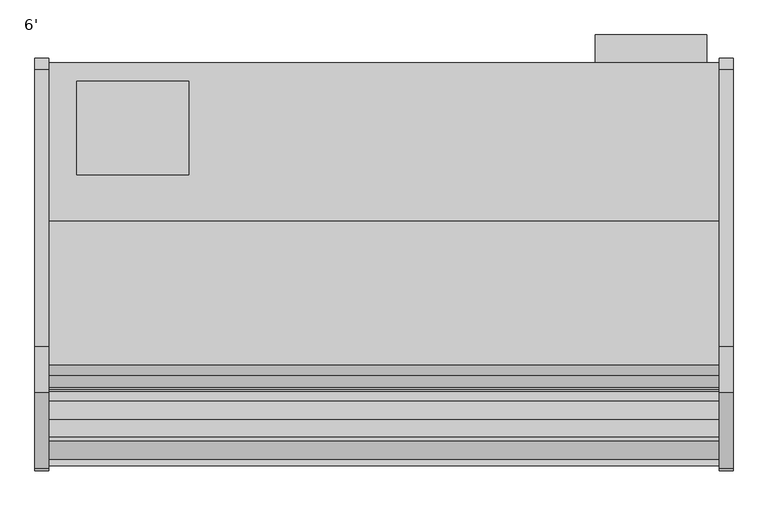
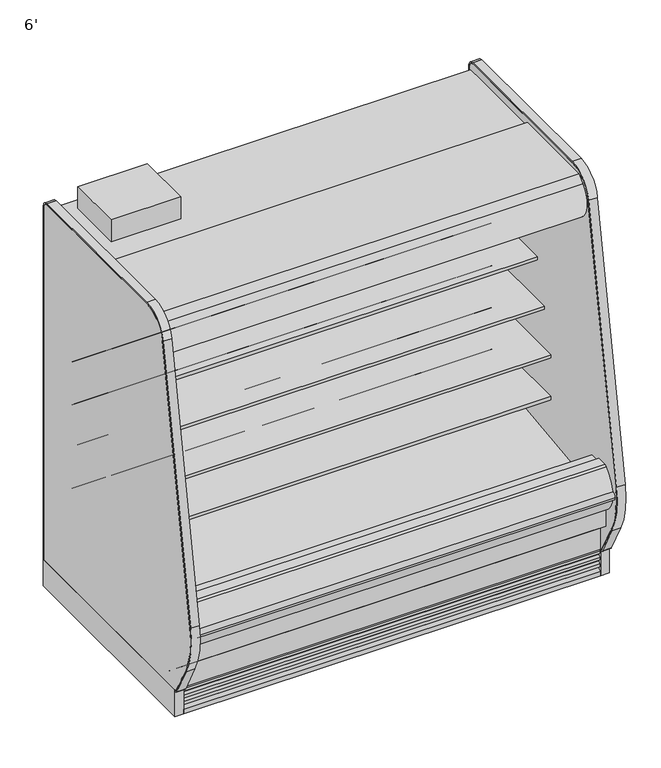
"""IFC4 building model written with IfcOpenShell, lengths in millimetres: proxy geometry, 6'."""

from ifc_helpers import new_model, si_unit, point, frame, frame_2d, origin, origin_with_axes, place, context, project, spatial, polyline, circle_curve, trimmed, segment, composite_curve, outline, extrude, faceted_brep, source, transform, mapped, element, save
from ifc_brep_helpers import plane_surface, revolved_surface, advanced_brep


def proxy_6_865640ad(model_context):
    return source(origin(), model_context, "Body", "SolidModel", [
        extrude(outline(polyline([(381.0, -452.3089273), (381.0, -706.3089273), (76.2, -706.3089273), (76.2, -452.3089273), (381.0, -452.3089273)])), frame((0.0, 0.0, 1747.9264001), z_axis=(0.0, 0.0, 1.0), x_axis=(1.0, 0.0, 0.0)), (0.0, 0.0, 1.0), 101.6),
        extrude(outline(polyline([(1795.411073, -325.3089273), (1795.411073, -401.5089273), (1490.396077, -401.5089273), (1490.396077, -325.3089273), (1795.411073, -325.3089273)])), frame((0.0, 0.0, 186.4360001), z_axis=(0.0, 0.0, 1.0), x_axis=(1.0, 0.0, 0.0)), (0.0, 0.0, 1.0), 1447.8),
        extrude(outline(polyline([(744.7751963, -1346.7911816), (435.3523963, -1346.7911816), (435.3523963, -1249.5865659), (744.7751963, -1249.5865659), (744.7751963, -1346.7911816)])), frame((0.0, 0.0, 53.2186364), z_axis=(0.0, 0.0, 1.0), x_axis=(1.0, 0.0, 0.0)), (0.0, 0.0, 1.0), 9.8914),
        faceted_brep([(1828.8, -1207.9589273, 130.175), (1828.8, -1275.0830824, 130.175), (1828.8, -1369.8839273, 206.7143253), (1828.8, -1369.8839273, 10.9768116), (1828.8, -1207.9589273, 10.9768116), (0.0, -1207.9589273, 130.175), (0.0, -1207.9589273, 10.9768116), (0.0, -1369.8839273, 10.9768116), (0.0, -1369.8839273, 206.7143253), (0.0, -1275.0830824, 130.175), (744.7751963, -1346.7911816, 10.9768116), (744.7751963, -1249.5865659, 10.9768116), (435.3523963, -1249.5865659, 10.9768116), (435.3523963, -1346.7911816, 10.9768116), (744.7751963, -1346.7911816, 63.1100364), (435.3523963, -1346.7911816, 63.1100364), (435.3523963, -1249.5865659, 63.1100364), (744.7751963, -1249.5865659, 63.1100364)], [[[0, 1, 2, 3, 4]], [[5, 6, 7, 8, 9]], [[1, 0, 5, 9]], [[2, 1, 9, 8]], [[3, 2, 8, 7]], [[4, 3, 7, 6], [10, 11, 12, 13]], [[0, 4, 6, 5]], [[14, 15, 16, 17]], [[14, 17, 11, 10]], [[17, 16, 12, 11]], [[16, 15, 13, 12]], [[15, 14, 10, 13]]]),
        extrude(outline(composite_curve([segment(trimmed(circle_curve(frame_2d((368.3, 1749.2090336)), 12.7), [point((368.3, 1761.9090336))], [point((368.3, 1736.5090336))], False, "CARTESIAN"), True, "CONTINUOUS"), segment(trimmed(circle_curve(frame_2d((368.3, 1749.2090336)), 12.7), [point((368.3, 1736.5090336))], [point((368.3, 1761.9090336))], False, "CARTESIAN"), True, "CONTINUOUS")], self_intersect=False)), frame((0.0, -447.5561252, 0.0), z_axis=(0.0, 1.0, 0.0), x_axis=(0.0, 0.0, 1.0)), (0.0, 0.0, 1.0), 52.3971979),
        extrude(outline(composite_curve([segment(trimmed(circle_curve(frame_2d((368.3, 1710.7972115)), 9.525), [point((368.3, 1720.3222115))], [point((368.3, 1701.2722115))], False, "CARTESIAN"), True, "CONTINUOUS"), segment(trimmed(circle_curve(frame_2d((368.3, 1710.7972115)), 9.525), [point((368.3, 1701.2722115))], [point((368.3, 1720.3222115))], False, "CARTESIAN"), True, "CONTINUOUS")], self_intersect=False)), frame((0.0, -447.5561252, 0.0), z_axis=(0.0, 1.0, 0.0), x_axis=(0.0, 0.0, 1.0)), (0.0, 0.0, 1.0), 52.3971979),
        extrude(outline(composite_curve([segment(polyline([(-451.7851762, 1697.7360001), (-451.7851762, 404.745884), (-504.9331995, 404.745884), (-504.9331995, 1618.3415628)]), True, "CONTINUOUS"), segment(trimmed(circle_curve(frame_2d((-530.3331995, 1618.3415628)), 25.4), [point((-504.9331995, 1618.3415628))], [point((-530.3331995, 1643.7415628))], True, "CARTESIAN"), True, "CONTINUOUS"), segment(polyline([(-530.3331995, 1643.7415628), (-996.5139611, 1643.7415628), (-996.5139611, 1637.1817932), (-1098.1139599, 1637.1817932), (-1098.1139599, 1697.7360001), (-451.7851762, 1697.7360001)]), True, "CONTINUOUS")], self_intersect=False)), frame((0.0, 0.0, 0.0), z_axis=(1.0, 0.0, 0.0), x_axis=(0.0, 1.0, 0.0)), (0.0, 0.0, 1.0), 1828.8),
        advanced_brep(
        [(1828.8, -1428.7889874, 391.24255), (1828.8, -1428.7889874, 254.2724833), (1828.8, -1275.0830824, 130.175), (1828.8, -401.5089273, 130.175), (1828.8, -401.5089273, 1747.9264001), (1828.8, -1139.2416873, 1747.9264001), (1828.8, -1139.2416873, 1697.7360001), (1828.8, -451.7851762, 1697.7360001), (1828.8, -451.7851762, 363.9695251), (1828.8, -599.5014929, 211.662363), (1828.8, -1043.5931205, 195.6779213), (1828.8, -1096.7050237, 157.095884), (1828.8, -1163.5210307, 157.095884), (1828.8, -1221.5656168, 189.2720563), (1828.8, -1379.2843872, 341.5792153), (1828.8, -1379.2843872, 391.24255), (0.0, -1428.7889874, 391.24255), (0.0, -1379.2843872, 391.24255), (0.0, -1379.2843872, 341.5792153), (0.0, -1221.5656168, 189.2720563), (0.0, -1163.5210307, 157.095884), (0.0, -1096.7050237, 157.095884), (0.0, -1043.5931205, 195.6779213), (0.0, -599.5014929, 211.662363), (0.0, -451.7851762, 363.9695251), (0.0, -451.7851762, 1697.7360001), (0.0, -1139.2416873, 1697.7360001), (0.0, -1139.2416873, 1747.9264001), (0.0, -401.5089273, 1747.9264001), (0.0, -401.5089273, 130.175), (0.0, -1275.0830824, 130.175), (0.0, -1428.7889874, 254.2724833), (1727.2, -401.5089273, 317.5), (1727.2, -401.5089273, 419.1), (1727.2, -447.5561252, 317.5), (1727.2, -447.5561252, 419.1)],
        [
            (0, 1),
            (1, 2),
            (2, 3),
            (3, 4),
            (4, 5),
            (5, 6),
            (6, 7),
            (7, 8),
            (8, 9, circle_curve(frame((1828.8, -605.0132276, 364.7934683), z_axis=(-1.0, 0.0, 0.0), x_axis=(0.0, 1.0, 0.0)), 153.2302667)),
            (9, 10),
            (10, 11),
            (11, 12),
            (12, 13),
            (13, 14, circle_curve(frame((1828.8, -1226.8843872, 341.5792153), z_axis=(-1.0, 0.0, 0.0), x_axis=(0.0, 1.0, 0.0)), 152.4)),
            (14, 15),
            (15, 0),
            (16, 17),
            (17, 18),
            (18, 19, circle_curve(frame((0.0, -1226.8843872, 341.5792153), z_axis=(1.0, 0.0, 0.0), x_axis=(0.0, 1.0, 0.0)), 152.4)),
            (19, 20),
            (20, 21),
            (21, 22),
            (22, 23),
            (23, 24, circle_curve(frame((0.0, -605.0132276, 364.7934683), z_axis=(1.0, 0.0, 0.0), x_axis=(0.0, 1.0, 0.0)), 153.2302667)),
            (24, 25),
            (25, 26),
            (26, 27),
            (27, 28),
            (28, 29),
            (29, 30),
            (30, 31),
            (31, 16),
            (0, 16),
            (31, 1),
            (30, 2),
            (29, 3),
            (28, 4),
            (32, 33, circle_curve(frame((1727.2, -401.5089273, 368.3), z_axis=(0.0, -1.0, 0.0), x_axis=(0.0, 0.0, 1.0)), 50.8)),
            (33, 32, circle_curve(frame((1727.2, -401.5089273, 368.3), z_axis=(0.0, -1.0, 0.0), x_axis=(0.0, 0.0, 1.0)), 50.8)),
            (27, 5),
            (26, 6),
            (25, 7),
            (24, 8),
            (23, 9),
            (22, 10),
            (21, 11),
            (20, 12),
            (19, 13),
            (18, 14),
            (17, 15),
            (34, 35, circle_curve(frame((1727.2, -447.5561252, 368.3), z_axis=(0.0, 1.0, 0.0), x_axis=(0.0, 0.0, 1.0)), 50.8)),
            (35, 34, circle_curve(frame((1727.2, -447.5561252, 368.3), z_axis=(0.0, 1.0, 0.0), x_axis=(0.0, 0.0, 1.0)), 50.8)),
            (35, 33),
            (32, 34),
        ],
        [
            plane_surface(frame((1828.8, -1428.7889874, 254.2724833), z_axis=(1.0, 0.0, 0.0), x_axis=(0.0, 0.0, -1.0))),
            plane_surface(frame((0.0, -1428.7889874, 254.2724833), z_axis=(-1.0, 0.0, 0.0), x_axis=(0.0, 0.0, 1.0))),
            plane_surface(frame((1828.8, -1428.7889874, 391.24255), z_axis=(0.0, -1.0, 0.0), x_axis=(-1.0, 0.0, 0.0))),
            plane_surface(frame((1828.8, -1428.7889874, 254.2724833), z_axis=(0.0, -0.6281851642637378, -0.7780638787393622), x_axis=(-1.0, 0.0, 0.0))),
            plane_surface(frame((1828.8, -1275.0830824, 130.175), z_axis=(0.0, 0.0, -1.0), x_axis=(-1.0, 0.0, 0.0))),
            plane_surface(frame((1828.8, -401.5089273, 130.175), z_axis=(0.0, 1.0, 0.0), x_axis=(-1.0, 0.0, 0.0))),
            plane_surface(frame((1828.8, -401.5089273, 1747.9264001), z_axis=(0.0, 0.0, 1.0), x_axis=(-1.0, 0.0, 0.0))),
            plane_surface(frame((1828.8, -1139.2416873, 1747.9264001), z_axis=(0.0, -1.0, 0.0), x_axis=(-1.0, 0.0, 0.0))),
            plane_surface(frame((1828.8, -1139.2416873, 1697.7360001), z_axis=(0.0, 0.0, -1.0), x_axis=(-1.0, 0.0, 0.0))),
            plane_surface(frame((1828.8, -451.7851762, 1697.7360001), z_axis=(0.0, -1.0, 0.0), x_axis=(-1.0, 0.0, 0.0))),
            revolved_surface(polyline([(0.0, -451.78296090000003, 364.7934683), (1828.8, -451.78296090000003, 364.7934683)]), (0.0, -605.0132276, 364.7934683), (-1.0, 0.0, 0.0)),
            plane_surface(frame((1828.8, -599.5014929, 211.662363), z_axis=(0.0, -0.035970274152171335, 0.9993528602938092), x_axis=(-1.0, 0.0, 0.0))),
            plane_surface(frame((1828.8, -1043.5931205, 195.6779213), z_axis=(0.0, -0.5877252382160976, 0.8090605937529224), x_axis=(-1.0, 0.0, 0.0))),
            plane_surface(frame((1828.8, -1096.7050237, 157.095884), z_axis=(0.0, 0.0, 1.0), x_axis=(-1.0, 0.0, 0.0))),
            plane_surface(frame((1828.8, -1163.5210307, 157.095884), z_axis=(0.0, 0.48482728759131516, 0.8746099137368889), x_axis=(-1.0, 0.0, 0.0))),
            revolved_surface(polyline([(0.0, -1074.4843872, 341.5792153), (1828.8, -1074.4843872, 341.5792153)]), (0.0, -1226.8843872, 341.5792153), (-1.0, 0.0, 0.0)),
            plane_surface(frame((1828.8, -1379.2843872, 341.5792153), z_axis=(0.0, 1.0, 0.0), x_axis=(-1.0, 0.0, 0.0))),
            plane_surface(frame((1828.8, -1379.2843872, 391.24255), z_axis=(0.0, 0.0, 1.0), x_axis=(-1.0, 0.0, 0.0))),
            plane_surface(frame((1727.2, -447.5561252, 419.1), z_axis=(0.0, 1.0, 0.0), x_axis=(-1.0, 0.0, 0.0))),
            revolved_surface(polyline([(1727.2, -447.5561252, 419.1), (1727.2, -401.5089273, 419.1)]), (1727.2, -401.5089273, 368.3), (0.0, -1.0, 0.0)),
        ],
        [
            (0, [[1, 2, 3, 4, 5, 6, 7, 8, 9, 10, 11, 12, 13, 14, 15, 16]]),
            (1, [[17, 18, 19, 20, 21, 22, 23, 24, 25, 26, 27, 28, 29, 30, 31, 32]]),
            (2, [[-1, 33, -32, 34]]),
            (3, [[-2, -34, -31, 35]]),
            (4, [[-3, -35, -30, 36]]),
            (5, [[-4, -36, -29, 37], [38, 39]]),
            (6, [[-5, -37, -28, 40]]),
            (7, [[-6, -40, -27, 41]]),
            (8, [[-7, -41, -26, 42]]),
            (9, [[-8, -42, -25, 43]]),
            (10, [[-9, -43, -24, 44]]),
            (11, [[-10, -44, -23, 45]]),
            (12, [[-11, -45, -22, 46]]),
            (13, [[-12, -46, -21, 47]]),
            (14, [[-13, -47, -20, 48]]),
            (15, [[-14, -48, -19, 49]]),
            (16, [[-15, -49, -18, 50]]),
            (17, [[-16, -50, -17, -33]]),
            (18, [[51, 52]]),
            (19, [[-52, 53, -38, 54]]),
            (19, [[-51, -54, -39, -53]]),
        ],
    ),
        extrude(outline(composite_curve([segment(polyline([(-1324.3309113, 373.0751999), (-1297.0132113, 373.0751999), (-1291.5716401, 375.0168392), (-610.6406734, 456.5929299), (-610.1926758, 450.1862651), (-516.7472923, 456.7206028)]), True, "CONTINUOUS"), segment(trimmed(circle_curve(frame_2d((-517.6331995, 469.3896663)), 12.7), [point((-516.7472923, 456.7206028))], [point((-504.9331995, 469.3896663))], True, "CARTESIAN"), True, "CONTINUOUS"), segment(polyline([(-504.9331995, 469.3896663), (-504.9331995, 404.745884), (-451.7851762, 404.745884), (-451.7851762, 363.9695251)]), True, "CONTINUOUS"), segment(trimmed(circle_curve(frame_2d((-605.0132276, 364.7934683)), 153.2302667), [point((-451.7851762, 363.9695251))], [point((-599.5014929, 211.662363))], False, "CARTESIAN"), True, "CONTINUOUS"), segment(polyline([(-599.5014929, 211.662363), (-1043.5931205, 195.6779213), (-1096.7050237, 157.095884), (-1163.5210307, 157.095884), (-1221.5656168, 189.2720563)]), True, "CONTINUOUS"), segment(trimmed(circle_curve(frame_2d((-1226.8843872, 341.5792153)), 152.4), [point((-1221.5656168, 189.2720563))], [point((-1379.2843872, 341.5792153))], False, "CARTESIAN"), True, "CONTINUOUS"), segment(polyline([(-1379.2843872, 341.5792153), (-1379.2843872, 521.2079999), (-1324.3309113, 521.2079999), (-1324.3309113, 373.0751999)]), True, "CONTINUOUS")], self_intersect=False)), frame((0.0, 0.0, 0.0), z_axis=(1.0, 0.0, 0.0), x_axis=(0.0, 1.0, 0.0)), (0.0, 0.0, 1.0), 1828.8),
        extrude(outline(composite_curve([segment(trimmed(circle_curve(frame_2d((914.4, -1128.5839273)), 38.1), [point((876.3, -1128.5839273))], [point((952.5, -1128.5839273))], False, "CARTESIAN"), True, "CONTINUOUS"), segment(trimmed(circle_curve(frame_2d((914.4, -1128.5839273)), 38.1), [point((952.5, -1128.5839273))], [point((876.3, -1128.5839273))], False, "CARTESIAN"), True, "CONTINUOUS")], self_intersect=False)), frame((0.0, 0.0, 66.7090149), z_axis=(0.0, 0.0, 1.0), x_axis=(1.0, 0.0, 0.0)), (0.0, 0.0, 1.0), 57.1159851),
        extrude(outline(composite_curve([segment(trimmed(circle_curve(frame_2d((1633.2146724, -1128.5839273)), 12.7), [point((1620.5146724, -1128.5839273))], [point((1645.9146724, -1128.5839273))], False, "CARTESIAN"), True, "CONTINUOUS"), segment(trimmed(circle_curve(frame_2d((1633.2146724, -1128.5839273)), 12.7), [point((1645.9146724, -1128.5839273))], [point((1620.5146724, -1128.5839273))], False, "CARTESIAN"), True, "CONTINUOUS")], self_intersect=False)), frame((0.0, 0.0, 66.7090149), z_axis=(0.0, 0.0, 1.0), x_axis=(1.0, 0.0, 0.0)), (0.0, 0.0, 1.0), 57.1159851),
        extrude(outline(composite_curve([segment(trimmed(circle_curve(frame_2d((1587.4012671, -1128.5839273)), 9.525), [point((1577.8762671, -1128.5839273))], [point((1596.9262671, -1128.5839273))], False, "CARTESIAN"), True, "CONTINUOUS"), segment(trimmed(circle_curve(frame_2d((1587.4012671, -1128.5839273)), 9.525), [point((1596.9262671, -1128.5839273))], [point((1577.8762671, -1128.5839273))], False, "CARTESIAN"), True, "CONTINUOUS")], self_intersect=False)), frame((0.0, 0.0, 66.7090149), z_axis=(0.0, 0.0, 1.0), x_axis=(1.0, 0.0, 0.0)), (0.0, 0.0, 1.0), 57.1159851),
        advanced_brep(
        [(1828.8, -401.5089273, 0.0), (1828.8, -401.5089273, 130.175), (1828.8, -1207.9589273, 130.175), (1828.8, -1207.9589273, 0.0), (1828.8, -1161.1594273, 0.0), (1828.8, -1161.1594273, 74.8810382), (1828.8, -446.7209273, 74.8810382), (1828.8, -446.7209273, 0.0), (0.0, -401.5089273, 0.0), (0.0, -446.7209273, 0.0), (0.0, -446.7209273, 74.8810382), (0.0, -1161.1594273, 74.8810382), (0.0, -1161.1594273, 0.0), (0.0, -1207.9589273, 0.0), (0.0, -1207.9589273, 130.175), (0.0, -401.5089273, 130.175), (875.4195331, -1161.1594273, 0.0), (953.3804669, -1161.1594273, 0.0), (1573.9195331, -1161.1594273, 0.0), (1651.8804669, -1161.1594273, 0.0), (1651.8804669, -1161.1594273, 74.8810382), (875.4195331, -1161.1594273, 74.8810382), (953.3804669, -1161.1594273, 74.8810382), (1573.9195331, -1161.1594273, 74.8810382), (1663.7, -1128.5839273, 74.8810382), (1562.1, -1128.5839273, 74.8810382), (965.2, -1128.5839273, 74.8810382), (863.6, -1128.5839273, 74.8810382), (863.6, -1128.5839273, 123.825), (965.2, -1128.5839273, 123.825), (1562.1, -1128.5839273, 123.825), (1663.7, -1128.5839273, 123.825)],
        [
            (0, 1),
            (1, 2),
            (2, 3),
            (3, 4),
            (4, 5),
            (5, 6),
            (6, 7),
            (7, 0),
            (8, 9),
            (9, 10),
            (10, 11),
            (11, 12),
            (12, 13),
            (13, 14),
            (14, 15),
            (15, 8),
            (0, 8),
            (15, 1),
            (14, 2),
            (13, 3),
            (12, 16),
            (16, 17, circle_curve(frame((914.4, -1128.5839273, 0.0), z_axis=(0.0, 0.0, 1.0), x_axis=(1.0, 0.0, 0.0)), 50.8)),
            (17, 18),
            (18, 19, circle_curve(frame((1612.9, -1128.5839273, 0.0), z_axis=(0.0, 0.0, 1.0), x_axis=(1.0, 0.0, 0.0)), 50.8)),
            (19, 4),
            (19, 20),
            (20, 5),
            (11, 21),
            (21, 16),
            (17, 22),
            (22, 23),
            (23, 18),
            (20, 24, circle_curve(frame((1612.9, -1128.5839273, 74.8810382), z_axis=(0.0, 0.0, 1.0), x_axis=(1.0, 0.0, 0.0)), 50.8)),
            (24, 25, circle_curve(frame((1612.9, -1128.5839273, 74.8810382), z_axis=(0.0, 0.0, 1.0), x_axis=(1.0, 0.0, 0.0)), 50.8)),
            (25, 23, circle_curve(frame((1612.9, -1128.5839273, 74.8810382), z_axis=(0.0, 0.0, 1.0), x_axis=(1.0, 0.0, 0.0)), 50.8)),
            (22, 26, circle_curve(frame((914.4, -1128.5839273, 74.8810382), z_axis=(0.0, 0.0, 1.0), x_axis=(1.0, 0.0, 0.0)), 50.8)),
            (26, 27, circle_curve(frame((914.4, -1128.5839273, 74.8810382), z_axis=(0.0, 0.0, 1.0), x_axis=(1.0, 0.0, 0.0)), 50.8)),
            (27, 21, circle_curve(frame((914.4, -1128.5839273, 74.8810382), z_axis=(0.0, 0.0, 1.0), x_axis=(1.0, 0.0, 0.0)), 50.8)),
            (10, 6),
            (9, 7),
            (28, 29, circle_curve(frame((914.4, -1128.5839273, 123.825), z_axis=(0.0, 0.0, -1.0), x_axis=(1.0, 0.0, 0.0)), 50.8)),
            (29, 28, circle_curve(frame((914.4, -1128.5839273, 123.825), z_axis=(0.0, 0.0, -1.0), x_axis=(1.0, 0.0, 0.0)), 50.8)),
            (29, 26),
            (27, 28),
            (30, 31, circle_curve(frame((1612.9, -1128.5839273, 123.825), z_axis=(0.0, 0.0, -1.0), x_axis=(1.0, 0.0, 0.0)), 50.8)),
            (31, 30, circle_curve(frame((1612.9, -1128.5839273, 123.825), z_axis=(0.0, 0.0, -1.0), x_axis=(1.0, 0.0, 0.0)), 50.8)),
            (31, 24),
            (25, 30),
        ],
        [
            plane_surface(frame((1828.8, -401.5089273, 1893.5715584), z_axis=(1.0, 0.0, 0.0), x_axis=(0.0, 0.0, 1.0))),
            plane_surface(frame((0.0, -401.5089273, 1893.5715584), z_axis=(-1.0, 0.0, 0.0), x_axis=(0.0, 0.0, -1.0))),
            plane_surface(frame((1828.8, -401.5089273, 0.0), z_axis=(0.0, 1.0, 0.0), x_axis=(-1.0, 0.0, 0.0))),
            plane_surface(frame((1828.8, -401.5089273, 130.175), z_axis=(0.0, 0.0, 1.0), x_axis=(-1.0, 0.0, 0.0))),
            plane_surface(frame((1828.8, -1207.9589273, 130.175), z_axis=(0.0, -1.0, 0.0), x_axis=(-1.0, 0.0, 0.0))),
            plane_surface(frame((1828.8, -1207.9589273, 0.0), z_axis=(0.0, 0.0, -1.0), x_axis=(-1.0, 0.0, 0.0))),
            plane_surface(frame((1828.8, -1161.1594273, 0.0), z_axis=(0.0, 1.0, 0.0), x_axis=(-1.0, 0.0, 0.0))),
            plane_surface(frame((1828.8, -1161.1594273, 74.8810382), z_axis=(0.0, 0.0, -1.0), x_axis=(-1.0, 0.0, 0.0))),
            plane_surface(frame((1828.8, -446.7209273, 74.8810382), z_axis=(0.0, -1.0, 0.0), x_axis=(-1.0, 0.0, 0.0))),
            plane_surface(frame((1828.8, -446.7209273, 0.0), z_axis=(0.0, 0.0, -1.0), x_axis=(-1.0, 0.0, 0.0))),
            plane_surface(frame((965.2, -1128.5839273, 123.825), z_axis=(0.0, 0.0, -1.0), x_axis=(0.0, 1.0, 0.0))),
            revolved_surface(polyline([(965.1999999999999, -1128.5839273, 123.825), (965.1999999999999, -1128.5839273, 0.0)]), (914.4, -1128.5839273, 0.0), (0.0, 0.0, 1.0)),
            revolved_surface(polyline([(965.1999999999999, -1128.5839273, 123.825), (965.1999999999999, -1128.5839273, 74.8810382)]), (914.4, -1128.5839273, 0.0), (0.0, 0.0, 1.0)),
            plane_surface(frame((1663.7, -1128.5839273, 123.825), z_axis=(0.0, 0.0, -1.0), x_axis=(0.0, 1.0, 0.0))),
            revolved_surface(polyline([(1663.7, -1128.5839273, 123.825), (1663.7, -1128.5839273, 0.0)]), (1612.9, -1128.5839273, 0.0), (0.0, 0.0, 1.0)),
            revolved_surface(polyline([(1663.7, -1128.5839273, 123.825), (1663.7, -1128.5839273, 74.8810382)]), (1612.9, -1128.5839273, 0.0), (0.0, 0.0, 1.0)),
        ],
        [
            (0, [[1, 2, 3, 4, 5, 6, 7, 8]]),
            (1, [[9, 10, 11, 12, 13, 14, 15, 16]]),
            (2, [[-1, 17, -16, 18]]),
            (3, [[-2, -18, -15, 19]]),
            (4, [[-3, -19, -14, 20]]),
            (5, [[-4, -20, -13, 21, 22, 23, 24, 25]]),
            (6, [[-5, -25, 26, 27]]),
            (6, [[-12, 28, 29, -21]]),
            (6, [[30, 31, 32, -23]]),
            (7, [[-6, -27, 33, 34, 35, -31, 36, 37, 38, -28, -11, 39]]),
            (8, [[-7, -39, -10, 40]]),
            (9, [[-8, -40, -9, -17]]),
            (10, [[41, 42]]),
            (11, [[-42, 43, -36, -30, -22, -29, -38, 44]]),
            (12, [[-41, -44, -37, -43]]),
            (13, [[45, 46]]),
            (14, [[-46, 47, -33, -26, -24, -32, -35, 48]]),
            (15, [[-45, -48, -34, -47]]),
        ],
    ),
        extrude(outline(polyline([(1866.9, -388.8089273), (1866.9, -1388.9339273), (1828.8, -1388.9339273), (1828.8, -388.8089273), (1866.9, -388.8089273)])), origin_with_axes(), (0.0, 0.0, 1.0), 123.825),
        extrude(outline(polyline([(1828.8, -996.5139611), (1828.8, -1098.1139599), (0.0, -1098.1139599), (0.0, -996.5139611), (1828.8, -996.5139611)])), frame((0.0, 0.0, 1611.781792), z_axis=(0.0, 0.0, 1.0), x_axis=(1.0, 0.0, 0.0)), (0.0, 0.0, 1.0), 25.4000011),
        extrude(outline(composite_curve([segment(polyline([(-834.1197918, 1747.9264001), (-1139.2416873, 1747.9264001), (-1139.2416873, 1697.7360001), (-1098.1139599, 1697.7360001), (-1098.1139599, 1611.781792), (-1102.0441706, 1611.781792), (-1145.2982964, 1638.6902586), (-1229.1846298, 1638.6902586), (-1234.6028577, 1609.3156271), (-1242.6978272, 1602.7581239), (-1244.4566599, 1596.9057625), (-1247.8744356, 1591.5734097)]), True, "CONTINUOUS"), segment(trimmed(circle_curve(frame_2d((-1254.9813118, 1596.1285676)), 8.4413951), [point((-1247.8744356, 1591.5734097))], [point((-1261.3923737, 1590.637171))], False, "CARTESIAN"), True, "CONTINUOUS"), segment(trimmed(circle_curve(frame_2d((-1181.3177231, 1659.2251311)), 105.4336661), [point((-1261.3923737, 1590.637171))], [point((-1254.3783459, 1735.2409409))], False, "CARTESIAN"), True, "CONTINUOUS"), segment(trimmed(circle_curve(frame_2d((-1721.3249588, 2221.0748085)), 673.8498988), [point((-1254.3783459, 1735.2409409))], [point((-1224.995421, 1765.3))], True, "CARTESIAN"), True, "CONTINUOUS"), segment(polyline([(-1224.995421, 1765.3), (-834.1197918, 1765.3), (-834.1197918, 1747.9264001)]), True, "CONTINUOUS")], self_intersect=False)), frame((0.0, 0.0, 0.0), z_axis=(1.0, 0.0, 0.0), x_axis=(0.0, 1.0, 0.0)), (0.0, 0.0, 1.0), 1828.8),
        extrude(outline(composite_curve([segment(trimmed(circle_curve(frame_2d((-775.1768909, 1614.4334873)), 14.2875), [point((-789.4643909, 1614.4334873))], [point((-760.8893909, 1614.4334873))], False, "CARTESIAN"), True, "CONTINUOUS"), segment(trimmed(circle_curve(frame_2d((-775.1768909, 1614.4334873)), 14.2875), [point((-760.8893909, 1614.4334873))], [point((-789.4643909, 1614.4334873))], False, "CARTESIAN"), True, "CONTINUOUS")], self_intersect=False)), frame((0.0, 0.0, 0.0), z_axis=(1.0, 0.0, 0.0), x_axis=(0.0, 1.0, 0.0)), (0.0, 0.0, 1.0), 1828.8),
        extrude(outline(composite_curve([segment(trimmed(circle_curve(frame_2d((-1161.5261636, 1620.5311052)), 14.2875), [point((-1175.8136636, 1620.5311052))], [point((-1147.2386636, 1620.5311052))], False, "CARTESIAN"), True, "CONTINUOUS"), segment(trimmed(circle_curve(frame_2d((-1161.5261636, 1620.5311052)), 14.2875), [point((-1147.2386636, 1620.5311052))], [point((-1175.8136636, 1620.5311052))], False, "CARTESIAN"), True, "CONTINUOUS")], self_intersect=False)), frame((0.0, 0.0, 0.0), z_axis=(1.0, 0.0, 0.0), x_axis=(0.0, 1.0, 0.0)), (0.0, 0.0, 1.0), 1828.8),
        extrude(outline(composite_curve([segment(trimmed(circle_curve(frame_2d((-1206.6074088, 1621.0573227)), 14.2875), [point((-1220.8949088, 1621.0573227))], [point((-1192.3199088, 1621.0573227))], False, "CARTESIAN"), True, "CONTINUOUS"), segment(trimmed(circle_curve(frame_2d((-1206.6074088, 1621.0573227)), 14.2875), [point((-1192.3199088, 1621.0573227))], [point((-1220.8949088, 1621.0573227))], False, "CARTESIAN"), True, "CONTINUOUS")], self_intersect=False)), frame((0.0, 0.0, 0.0), z_axis=(1.0, 0.0, 0.0), x_axis=(0.0, 1.0, 0.0)), (0.0, 0.0, 1.0), 1828.8),
        extrude(outline(polyline([(-755.2139611, 1643.7415628), (-755.2139611, 1642.1540628), (-767.1202111, 1642.1540628), (-802.8389611, 1618.3415628), (-802.8389611, 1642.1540628), (-823.4764611, 1642.1540628), (-823.4764611, 1583.5761808), (-820.1998305, 1567.4468459), (-821.7555536, 1567.130805), (-825.0639611, 1583.4165628), (-825.0639611, 1643.7415628), (-755.2139611, 1643.7415628)])), frame((0.0, 0.0, 0.0), z_axis=(1.0, 0.0, 0.0), x_axis=(0.0, 1.0, 0.0)), (0.0, 0.0, 1.0), 1828.8),
        extrude(outline(polyline([(-524.5538195, 1364.7404382), (-699.0292362, 1609.345951), (-692.6360518, 1611.3180598), (-519.384186, 1368.427902), (-524.5538195, 1364.7404382)])), frame((0.0, 0.0, 0.0), z_axis=(1.0, 0.0, 0.0), x_axis=(0.0, 1.0, 0.0)), (0.0, 0.0, 1.0), 1828.8),
        extrude(outline(composite_curve([segment(polyline([(-504.9331995, 1389.1244166), (-504.9331995, 1351.0251669)]), True, "CONTINUOUS"), segment(trimmed(circle_curve(frame_2d((-507.7906995, 1351.0251669)), 2.8575), [point((-504.9331995, 1351.0251669))], [point((-506.6741853, 1348.3948242))], False, "CARTESIAN"), True, "CONTINUOUS"), segment(polyline([(-506.6741853, 1348.3948242), (-515.7704668, 1344.5336819)]), True, "CONTINUOUS"), segment(trimmed(circle_curve(frame_2d((-516.8869809, 1347.1640245)), 2.8575), [point((-515.7704668, 1344.5336819))], [point((-519.4330321, 1345.8667466))], False, "CARTESIAN"), True, "CONTINUOUS"), segment(polyline([(-519.4330321, 1345.8667466), (-527.3608411, 1361.425948)]), True, "CONTINUOUS"), segment(trimmed(circle_curve(frame_2d((-526.2292629, 1362.0025159)), 1.27), [point((-527.3608411, 1361.425948))], [point((-526.8058308, 1363.1340942))], False, "CARTESIAN"), True, "CONTINUOUS"), segment(polyline([(-526.8058308, 1363.1340942), (-519.384186, 1368.427902), (-507.5996446, 1351.9065843), (-506.2031995, 1351.0251669), (-506.2031995, 1389.1244166), (-504.9331995, 1389.1244166)]), True, "CONTINUOUS")], self_intersect=False)), frame((0.0, 0.0, 0.0), z_axis=(1.0, 0.0, 0.0), x_axis=(0.0, 1.0, 0.0)), (0.0, 0.0, 1.0), 1828.8),
        extrude(outline(composite_curve([segment(polyline([(-697.0188534, 1617.462521), (-692.6360518, 1611.3180598), (-701.6311946, 1608.5433237)]), True, "CONTINUOUS"), segment(trimmed(circle_curve(frame_2d((-702.2914708, 1610.6838079)), 2.2400083), [point((-701.6311946, 1608.5433237))], [point((-703.4764456, 1608.7828943))], False, "CARTESIAN"), True, "CONTINUOUS"), segment(polyline([(-703.4764456, 1608.7828943), (-727.5060675, 1642.4711818), (-743.3810675, 1642.4711818), (-743.3810675, 1643.7411818), (-727.5060675, 1643.7411818)]), True, "CONTINUOUS"), segment(trimmed(circle_curve(frame_2d((-727.5060675, 1642.4711818)), 1.27), [point((-727.5060675, 1643.7411818))], [point((-726.4721408, 1643.2086746))], False, "CARTESIAN"), True, "CONTINUOUS"), segment(polyline([(-726.4721408, 1643.2086746), (-714.3244423, 1626.1782294), (-704.636549, 1633.0885365)]), True, "CONTINUOUS"), segment(trimmed(circle_curve(frame_2d((-703.8990563, 1632.0546097)), 1.27), [point((-704.636549, 1633.0885365))], [point((-702.8651296, 1632.7921025))], False, "CARTESIAN"), True, "CONTINUOUS"), segment(polyline([(-702.8651296, 1632.7921025), (-693.6464701, 1619.8680186), (-697.0188534, 1617.462521)]), True, "CONTINUOUS")], self_intersect=False)), frame((0.0, 0.0, 0.0), z_axis=(1.0, 0.0, 0.0), x_axis=(0.0, 1.0, 0.0)), (0.0, 0.0, 1.0), 1828.8),
        extrude(outline(composite_curve([segment(polyline([(-504.9331995, 603.1377781), (-504.9331995, 528.0367518), (-528.313746, 528.0367518)]), True, "CONTINUOUS"), segment(trimmed(circle_curve(frame_2d((-528.7455821, 553.4330806)), 25.4), [point((-528.313746, 528.0367518))], [point((-544.7229383, 533.6875979))], False, "CARTESIAN"), True, "CONTINUOUS"), segment(polyline([(-544.7229383, 533.6875979), (-562.5749995, 548.1328634)]), True, "CONTINUOUS"), segment(trimmed(circle_curve(frame_2d((-602.5183901, 498.7691567)), 63.5), [point((-562.5749995, 548.1328634))], [point((-594.6205089, 561.7760886))], True, "CARTESIAN"), True, "CONTINUOUS"), segment(polyline([(-594.6205089, 561.7760886), (-869.1842482, 585.473226), (-870.6730247, 588.9137781), (-1012.9331995, 588.9137781), (-1012.9331995, 603.1377781), (-504.9331995, 603.1377781)]), True, "CONTINUOUS")], self_intersect=False)), frame((0.0, 0.0, 0.0), z_axis=(1.0, 0.0, 0.0), x_axis=(0.0, 1.0, 0.0)), (0.0, 0.0, 1.0), 1828.8),
        extrude(outline(composite_curve([segment(polyline([(-504.9331995, 796.951863), (-504.9331995, 721.8508366), (-528.313746, 721.8508366)]), True, "CONTINUOUS"), segment(trimmed(circle_curve(frame_2d((-528.7455821, 747.2471655)), 25.4), [point((-528.313746, 721.8508366))], [point((-544.7229383, 727.5016828))], False, "CARTESIAN"), True, "CONTINUOUS"), segment(polyline([(-544.7229383, 727.5016828), (-562.5749995, 741.9469483)]), True, "CONTINUOUS"), segment(trimmed(circle_curve(frame_2d((-602.5183901, 692.5832415)), 63.5), [point((-562.5749995, 741.9469483))], [point((-594.6205089, 755.5901735))], True, "CARTESIAN"), True, "CONTINUOUS"), segment(polyline([(-594.6205089, 755.5901735), (-869.1842482, 779.2873109), (-870.6730247, 782.727863), (-1012.9331995, 782.727863), (-1012.9331995, 796.951863), (-504.9331995, 796.951863)]), True, "CONTINUOUS")], self_intersect=False)), frame((0.0, 0.0, 0.0), z_axis=(1.0, 0.0, 0.0), x_axis=(0.0, 1.0, 0.0)), (0.0, 0.0, 1.0), 1828.8),
        extrude(outline(composite_curve([segment(polyline([(-504.9331995, 990.7659479), (-504.9331995, 915.6649215), (-528.313746, 915.6649215)]), True, "CONTINUOUS"), segment(trimmed(circle_curve(frame_2d((-528.7455821, 941.0612503)), 25.4), [point((-528.313746, 915.6649215))], [point((-544.7229383, 921.3157676))], False, "CARTESIAN"), True, "CONTINUOUS"), segment(polyline([(-544.7229383, 921.3157676), (-562.5749995, 935.7610332)]), True, "CONTINUOUS"), segment(trimmed(circle_curve(frame_2d((-602.5183901, 886.3973264)), 63.5), [point((-562.5749995, 935.7610332))], [point((-594.6205089, 949.4042583))], True, "CARTESIAN"), True, "CONTINUOUS"), segment(polyline([(-594.6205089, 949.4042583), (-869.1842482, 973.1013958), (-870.6730247, 976.5419479), (-962.1331995, 976.5419479), (-962.1331995, 990.7659479), (-504.9331995, 990.7659479)]), True, "CONTINUOUS")], self_intersect=False)), frame((0.0, 0.0, 0.0), z_axis=(1.0, 0.0, 0.0), x_axis=(0.0, 1.0, 0.0)), (0.0, 0.0, 1.0), 1828.8),
        extrude(outline(composite_curve([segment(polyline([(-504.9331995, 1188.9777893), (-504.9331995, 1113.876763), (-528.313746, 1113.876763)]), True, "CONTINUOUS"), segment(trimmed(circle_curve(frame_2d((-528.7455821, 1139.2730918)), 25.4), [point((-528.313746, 1113.876763))], [point((-544.7229383, 1119.5276091))], False, "CARTESIAN"), True, "CONTINUOUS"), segment(polyline([(-544.7229383, 1119.5276091), (-562.5749995, 1133.9728746)]), True, "CONTINUOUS"), segment(trimmed(circle_curve(frame_2d((-602.5183901, 1084.6091679)), 63.5), [point((-562.5749995, 1133.9728746))], [point((-594.6205089, 1147.6160998))], True, "CARTESIAN"), True, "CONTINUOUS"), segment(polyline([(-594.6205089, 1147.6160998), (-869.1842482, 1171.3132372), (-870.6730247, 1174.7537893), (-911.3331995, 1174.7537893), (-911.3331995, 1188.9777893), (-504.9331995, 1188.9777893)]), True, "CONTINUOUS")], self_intersect=False)), frame((0.0, 0.0, 0.0), z_axis=(1.0, 0.0, 0.0), x_axis=(0.0, 1.0, 0.0)), (0.0, 0.0, 1.0), 1828.8),
        extrude(outline(composite_curve([segment(trimmed(circle_curve(frame_2d((-1483.1743585, 428.625)), 17.2640772), [point((-1500.4384357, 428.625))], [point((-1465.9102813, 428.625))], False, "CARTESIAN"), True, "CONTINUOUS"), segment(trimmed(circle_curve(frame_2d((-1483.1743585, 428.625)), 17.2640772), [point((-1465.9102813, 428.625))], [point((-1500.4384357, 428.625))], False, "CARTESIAN"), True, "CONTINUOUS")], self_intersect=False)), frame((0.0, 0.0, 0.0), z_axis=(1.0, 0.0, 0.0), x_axis=(0.0, 1.0, 0.0)), (0.0, 0.0, 1.0), 1828.8),
        extrude(outline(composite_curve([segment(polyline([(-1375.5997913, 521.2079999), (-1379.2843872, 521.2079999), (-1379.2843872, 391.24255), (-1428.7889874, 391.24255), (-1428.7889874, 350.0194213), (-1453.2591168, 350.0194213)]), True, "CONTINUOUS"), segment(trimmed(circle_curve(frame_2d((-1358.032609, 434.0486555)), 126.9999999), [point((-1453.2591168, 350.0194213))], [point((-1482.9898477, 411.3619088))], False, "CARTESIAN"), True, "CONTINUOUS"), segment(trimmed(circle_curve(frame_2d((-1483.1743585, 428.625)), 17.2640772), [point((-1482.9898477, 411.3619088))], [point((-1465.9102813, 428.625))], True, "CARTESIAN"), True, "CONTINUOUS"), segment(trimmed(circle_curve(frame_2d((-1483.1743585, 428.625)), 17.2640772), [point((-1465.9102813, 428.625))], [point((-1483.4541442, 445.8868099))], True, "CARTESIAN"), True, "CONTINUOUS"), segment(trimmed(circle_curve(frame_2d((-1311.1712796, 402.089233)), 177.7628003), [point((-1483.4541442, 445.8868099))], [point((-1431.9539384, 532.5160803))], False, "CARTESIAN"), True, "CONTINUOUS"), segment(trimmed(circle_curve(frame_2d((-1421.0971419, 520.7923962)), 15.9785731), [point((-1431.9539384, 532.5160803))], [point((-1421.1927913, 536.770683))], False, "CARTESIAN"), True, "CONTINUOUS"), segment(polyline([(-1421.1927913, 536.770683), (-1375.5997913, 536.770683), (-1375.5997913, 521.2079999)]), True, "CONTINUOUS")], self_intersect=False)), frame((0.0, 0.0, 0.0), z_axis=(1.0, 0.0, 0.0), x_axis=(0.0, 1.0, 0.0)), (0.0, 0.0, 1.0), 1828.8),
        extrude(outline(composite_curve([segment(polyline([(-1369.8839273, 206.7143253), (-1369.8839273, 0.0), (-1388.9339273, 0.0), (-1388.9339273, 21.4927595)]), True, "CONTINUOUS"), segment(trimmed(circle_curve(frame_2d((-1389.2433986, 35.0385724)), 13.5493476), [point((-1388.9339273, 21.4927595))], [point((-1376.3135203, 30.9885022))], True, "CARTESIAN"), True, "CONTINUOUS"), segment(polyline([(-1376.3135203, 30.9885022), (-1373.1694807, 42.2520535), (-1383.8066759, 40.0942307), (-1385.8005759, 40.0942307), (-1385.8005759, 52.7942307)]), True, "CONTINUOUS"), segment(trimmed(circle_curve(frame_2d((-1390.2184437, 66.2963779)), 14.2065314), [point((-1385.8005759, 52.7942307))], [point((-1376.6585778, 62.0589765))], True, "CARTESIAN"), True, "CONTINUOUS"), segment(polyline([(-1376.6585778, 62.0589765), (-1373.1694807, 73.2242366), (-1383.8066759, 71.0664138), (-1385.8005759, 71.0664138), (-1385.8005759, 83.7664138)]), True, "CONTINUOUS"), segment(trimmed(circle_curve(frame_2d((-1390.290819, 97.3399774)), 14.2969897), [point((-1385.8005759, 83.7664138))], [point((-1376.6585778, 93.0311596))], True, "CARTESIAN"), True, "CONTINUOUS"), segment(polyline([(-1376.6585778, 93.0311596), (-1373.1694807, 104.0699677), (-1383.8066759, 102.0387838), (-1385.8005759, 102.0387838), (-1385.8005759, 114.7387838)]), True, "CONTINUOUS"), segment(trimmed(circle_curve(frame_2d((-1385.2028113, 125.7034438)), 10.9809422), [point((-1385.8005759, 114.7387838))], [point((-1377.4170772, 117.9598377))], True, "CARTESIAN"), True, "CONTINUOUS"), segment(polyline([(-1377.4170772, 117.9598377), (-1377.4170772, 121.5911682), (-1387.8660349, 121.5911682), (-1387.8660349, 221.2325333), (-1369.8839273, 206.7143253)]), True, "CONTINUOUS")], self_intersect=False)), frame((0.0, 0.0, 0.0), z_axis=(1.0, 0.0, 0.0), x_axis=(0.0, 1.0, 0.0)), (0.0, 0.0, 1.0), 1828.8),
        extrude(outline(composite_curve([segment(polyline([(-1174.664716, 1785.14248), (-420.5589273, 1785.14248)]), True, "CONTINUOUS"), segment(trimmed(circle_curve(frame_2d((-420.5589273, 1759.74248)), 25.4), [point((-420.5589273, 1785.14248))], [point((-395.1589273, 1759.74248))], False, "CARTESIAN"), True, "CONTINUOUS"), segment(polyline([(-395.1589273, 1759.74248), (-395.1589273, 123.825), (-1391.7911098, 123.825)]), True, "CONTINUOUS"), segment(trimmed(circle_curve(frame_2d((-1391.7911098, 131.2778251)), 7.4528251), [point((-1391.7911098, 123.825))], [point((-1398.3904092, 127.8146114))], False, "CARTESIAN"), True, "CONTINUOUS"), segment(polyline([(-1398.3904092, 127.8146114), (-1469.6820497, 263.6638308)]), True, "CONTINUOUS"), segment(trimmed(circle_curve(frame_2d((-1171.6750273, 420.0534632)), 336.55), [point((-1469.6820497, 263.6638308))], [point((-1502.6735172, 480.9295848))], False, "CARTESIAN"), True, "CONTINUOUS"), segment(polyline([(-1502.6735172, 480.9295848), (-1293.5353301, 1685.1370822)]), True, "CONTINUOUS"), segment(trimmed(circle_curve(frame_2d((-1174.664716, 1664.49248)), 120.65), [point((-1293.5353301, 1685.1370822))], [point((-1174.664716, 1785.14248))], False, "CARTESIAN"), True, "CONTINUOUS")], self_intersect=False)), frame((1828.8, 0.0, 0.0), z_axis=(1.0, 0.0, 0.0), x_axis=(0.0, 1.0, 0.0)), (0.0, 0.0, 1.0), 38.1),
        extrude(outline(composite_curve([segment(trimmed(circle_curve(frame_2d((-420.5589273, 1759.74248)), 31.75), [point((-420.5589273, 1791.49248))], [point((-388.8089273, 1759.74248))], False, "CARTESIAN"), True, "CONTINUOUS"), segment(polyline([(-388.8089273, 1759.74248), (-388.8089273, 123.825), (-395.1589273, 123.825), (-395.1589273, 1759.74248)]), True, "CONTINUOUS"), segment(trimmed(circle_curve(frame_2d((-420.5589273, 1759.74248)), 25.4), [point((-395.1589273, 1759.74248))], [point((-420.5589273, 1785.14248))], True, "CARTESIAN"), True, "CONTINUOUS"), segment(polyline([(-420.5589273, 1785.14248), (-1174.664716, 1785.14248)]), True, "CONTINUOUS"), segment(trimmed(circle_curve(frame_2d((-1174.664716, 1664.49248)), 120.65), [point((-1174.664716, 1785.14248))], [point((-1293.5353301, 1685.1370822))], True, "CARTESIAN"), True, "CONTINUOUS"), segment(polyline([(-1293.5353301, 1685.1370822), (-1502.6735172, 480.9295848)]), True, "CONTINUOUS"), segment(trimmed(circle_curve(frame_2d((-1171.6750273, 420.0534632)), 336.55), [point((-1502.6735172, 480.9295848))], [point((-1469.6820497, 263.6638308))], True, "CARTESIAN"), True, "CONTINUOUS"), segment(polyline([(-1469.6820497, 263.6638308), (-1398.3904092, 127.8146114)]), True, "CONTINUOUS"), segment(trimmed(circle_curve(frame_2d((-1391.7911098, 131.2778251)), 7.4528251), [point((-1398.3904092, 127.8146114))], [point((-1391.7911098, 123.825))], True, "CARTESIAN"), True, "CONTINUOUS"), segment(polyline([(-1391.7911098, 123.825), (-1388.9339273, 123.825), (-1388.9339273, 117.475), (-1391.7911098, 117.475)]), True, "CONTINUOUS"), segment(trimmed(circle_curve(frame_2d((-1391.7911098, 131.2778251)), 13.8028251), [point((-1391.7911098, 117.475))], [point((-1404.0131833, 124.8638636))], False, "CARTESIAN"), True, "CONTINUOUS"), segment(polyline([(-1404.0131833, 124.8638636), (-1475.3048237, 260.713083)]), True, "CONTINUOUS"), segment(trimmed(circle_curve(frame_2d((-1171.6750273, 420.0534632)), 342.9), [point((-1475.3048237, 260.713083))], [point((-1508.9244977, 482.0470493))], False, "CARTESIAN"), True, "CONTINUOUS"), segment(polyline([(-1508.9244977, 482.0470493), (-1299.7916782, 1686.2236402)]), True, "CONTINUOUS"), segment(trimmed(circle_curve(frame_2d((-1174.664716, 1664.49248)), 127.0), [point((-1299.7916782, 1686.2236402))], [point((-1174.664716, 1791.49248))], False, "CARTESIAN"), True, "CONTINUOUS"), segment(polyline([(-1174.664716, 1791.49248), (-420.5589273, 1791.49248)]), True, "CONTINUOUS")], self_intersect=False)), frame((1828.8, 0.0, 0.0), z_axis=(1.0, 0.0, 0.0), x_axis=(0.0, 1.0, 0.0)), (0.0, 0.0, 1.0), 38.1),
        extrude(outline(composite_curve([segment(polyline([(-1174.664716, 1785.14248), (-420.5589273, 1785.14248)]), True, "CONTINUOUS"), segment(trimmed(circle_curve(frame_2d((-420.5589273, 1759.74248)), 25.4), [point((-420.5589273, 1785.14248))], [point((-395.1589273, 1759.74248))], False, "CARTESIAN"), True, "CONTINUOUS"), segment(polyline([(-395.1589273, 1759.74248), (-395.1589273, 123.825), (-1391.7911098, 123.825)]), True, "CONTINUOUS"), segment(trimmed(circle_curve(frame_2d((-1391.7911098, 131.2778251)), 7.4528251), [point((-1391.7911098, 123.825))], [point((-1398.3904092, 127.8146114))], False, "CARTESIAN"), True, "CONTINUOUS"), segment(polyline([(-1398.3904092, 127.8146114), (-1469.6820497, 263.6638308)]), True, "CONTINUOUS"), segment(trimmed(circle_curve(frame_2d((-1171.6750273, 420.0534632)), 336.55), [point((-1469.6820497, 263.6638308))], [point((-1502.6735172, 480.9295848))], False, "CARTESIAN"), True, "CONTINUOUS"), segment(polyline([(-1502.6735172, 480.9295848), (-1293.5353301, 1685.1370822)]), True, "CONTINUOUS"), segment(trimmed(circle_curve(frame_2d((-1174.664716, 1664.49248)), 120.65), [point((-1293.5353301, 1685.1370822))], [point((-1174.664716, 1785.14248))], False, "CARTESIAN"), True, "CONTINUOUS")], self_intersect=False)), frame((-38.1, 0.0, 0.0), z_axis=(1.0, 0.0, 0.0), x_axis=(0.0, 1.0, 0.0)), (0.0, 0.0, 1.0), 38.1),
        extrude(outline(composite_curve([segment(trimmed(circle_curve(frame_2d((-420.5589273, 1759.74248)), 31.75), [point((-420.5589273, 1791.49248))], [point((-388.8089273, 1759.74248))], False, "CARTESIAN"), True, "CONTINUOUS"), segment(polyline([(-388.8089273, 1759.74248), (-388.8089273, 123.825), (-395.1589273, 123.825), (-395.1589273, 1759.74248)]), True, "CONTINUOUS"), segment(trimmed(circle_curve(frame_2d((-420.5589273, 1759.74248)), 25.4), [point((-395.1589273, 1759.74248))], [point((-420.5589273, 1785.14248))], True, "CARTESIAN"), True, "CONTINUOUS"), segment(polyline([(-420.5589273, 1785.14248), (-1174.664716, 1785.14248)]), True, "CONTINUOUS"), segment(trimmed(circle_curve(frame_2d((-1174.664716, 1664.49248)), 120.65), [point((-1174.664716, 1785.14248))], [point((-1293.5353301, 1685.1370822))], True, "CARTESIAN"), True, "CONTINUOUS"), segment(polyline([(-1293.5353301, 1685.1370822), (-1502.6735172, 480.9295848)]), True, "CONTINUOUS"), segment(trimmed(circle_curve(frame_2d((-1171.6750273, 420.0534632)), 336.55), [point((-1502.6735172, 480.9295848))], [point((-1469.6820497, 263.6638308))], True, "CARTESIAN"), True, "CONTINUOUS"), segment(polyline([(-1469.6820497, 263.6638308), (-1398.3904092, 127.8146114)]), True, "CONTINUOUS"), segment(trimmed(circle_curve(frame_2d((-1391.7911098, 131.2778251)), 7.4528251), [point((-1398.3904092, 127.8146114))], [point((-1391.7911098, 123.825))], True, "CARTESIAN"), True, "CONTINUOUS"), segment(polyline([(-1391.7911098, 123.825), (-1388.9339273, 123.825), (-1388.9339273, 117.475), (-1391.7911098, 117.475)]), True, "CONTINUOUS"), segment(trimmed(circle_curve(frame_2d((-1391.7911098, 131.2778251)), 13.8028251), [point((-1391.7911098, 117.475))], [point((-1404.0131833, 124.8638636))], False, "CARTESIAN"), True, "CONTINUOUS"), segment(polyline([(-1404.0131833, 124.8638636), (-1475.3048237, 260.713083)]), True, "CONTINUOUS"), segment(trimmed(circle_curve(frame_2d((-1171.6750273, 420.0534632)), 342.9), [point((-1475.3048237, 260.713083))], [point((-1508.9244977, 482.0470493))], False, "CARTESIAN"), True, "CONTINUOUS"), segment(polyline([(-1508.9244977, 482.0470493), (-1299.7916782, 1686.2236402)]), True, "CONTINUOUS"), segment(trimmed(circle_curve(frame_2d((-1174.664716, 1664.49248)), 127.0), [point((-1299.7916782, 1686.2236402))], [point((-1174.664716, 1791.49248))], False, "CARTESIAN"), True, "CONTINUOUS"), segment(polyline([(-1174.664716, 1791.49248), (-420.5589273, 1791.49248)]), True, "CONTINUOUS")], self_intersect=False)), frame((-38.1, 0.0, 0.0), z_axis=(1.0, 0.0, 0.0), x_axis=(0.0, 1.0, 0.0)), (0.0, 0.0, 1.0), 38.1),
        extrude(outline(polyline([(0.0, -388.8089273), (0.0, -1388.9339273), (-38.1, -1388.9339273), (-38.1, -388.8089273), (0.0, -388.8089273)])), origin_with_axes(), (0.0, 0.0, 1.0), 123.825),
    ])


if __name__ == "__main__":
    model = new_model("IFC4")
    model_context = context("Model", 3, world=origin())
    ifc_project = project(units=[si_unit("LENGTHUNIT", "METRE", prefix="MILLI")], contexts=[model_context])
    site = spatial("IfcSite", under=ifc_project)
    building = spatial("IfcBuilding", under=site)
    placement = place(None, origin())
    proxy_6_shape = proxy_6_865640ad(model_context)
    element("IfcBuildingElementProxy", 1, Name="6'", ObjectType="6'", at=placement, inside=building, context=model_context, shape_type="MappedRepresentation", body=[
        mapped(proxy_6_shape, transform((0.0, 0.0, 0.0), x_axis=(1.0, 0.0, 0.0), y_axis=(0.0, 1.0, 0.0), z_axis=(0.0, 0.0, 1.0))),
    ])
    save(model, "model.ifc")
